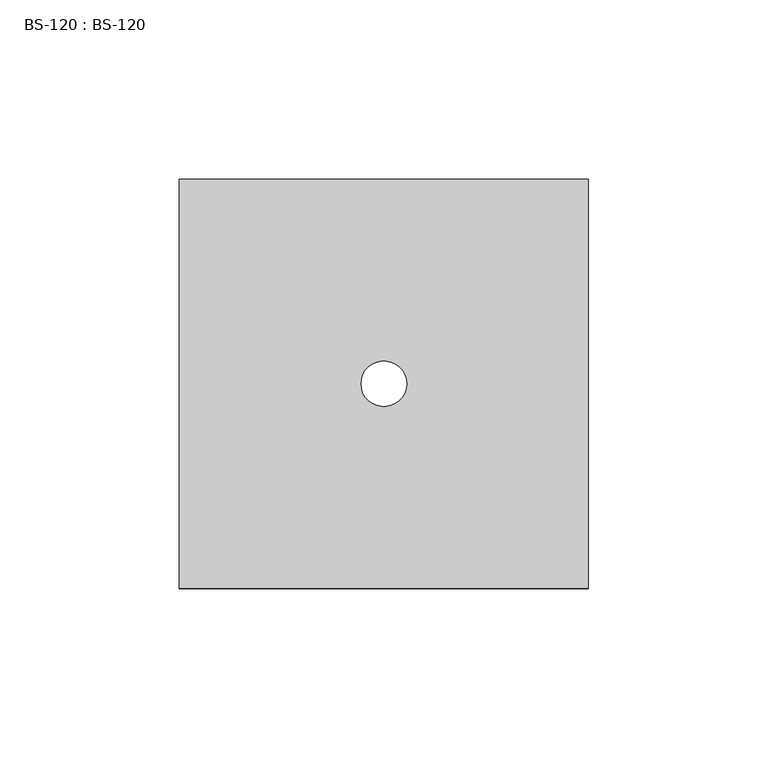
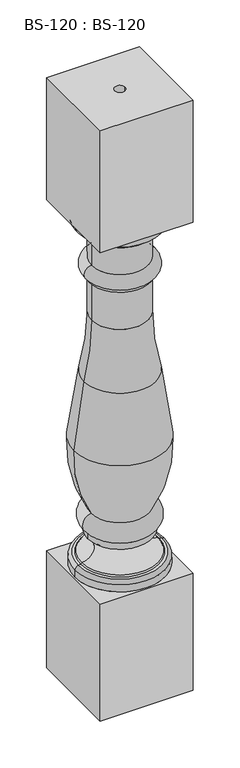
"""IFC4 building model written with IfcOpenShell, lengths in millimetres: proxy geometry, BS-120 : BS-120."""

import ifcopenshell
import ifcopenshell.guid

model = None  # the IFC model being written
_history = None  # IfcOwnerHistory: only IFC2X3 demands one
_inside = {}  # id of a spatial element -> (the spatial element, [elements in it])
_under = {}  # id of a project, library or spatial element -> (it, [spatial elements below it])
_declared = {}  # id of a project -> (the project, [libraries it declares])
_typed = {}  # id of a type object -> (the type object, [elements of that type])
_made_of = {}  # id of a material, layer set ... -> (it, [elements and type objects made of it])


def new_model(schema):
    """Start an empty IFC model of exactly this schema.

    Asked for "IFC4X3", IfcOpenShell would pick the latest addendum, in which some entities
    have other attributes; the version numbers below select the first issue.
    IFC2X3 requires an IfcOwnerHistory on every rooted entity: one is made here for all.
    """
    global model, _history
    if schema == "IFC4X3":
        model = ifcopenshell.file(schema_version=(4, 3, 0, 0))
    else:
        model = ifcopenshell.file(schema=schema)
    _inside.clear()
    _under.clear()
    _declared.clear()
    _typed.clear()
    _made_of.clear()
    _history = None
    if model.schema == "IFC2X3":
        org = make("IfcOrganization", Name="unknown")
        user = make(
            "IfcPersonAndOrganization",
            ThePerson=make("IfcPerson", FamilyName="unknown"),
            TheOrganization=org,
        )
        app = make(
            "IfcApplication",
            ApplicationDeveloper=org,
            Version="unknown",
            ApplicationFullName="unknown",
            ApplicationIdentifier="unknown",
        )
        _history = make(
            "IfcOwnerHistory",
            OwningUser=user,
            OwningApplication=app,
            ChangeAction="ADDED",
            CreationDate=0,
        )
    return model


def make(cls, **values):
    """One entity of the class cls with the attributes given. An attribute that is None is left unset."""
    return model.create_entity(
        cls, **{name: value for name, value in values.items() if value is not None}
    )


def rooted(cls, **values):
    """An entity with a GlobalId (a new one), such as an element, a storey or a relation."""
    return make(cls, GlobalId=ifcopenshell.guid.new(), OwnerHistory=_history, **values)


def si_unit(unit_type, name, prefix=None):
    """IfcSIUnit, for example si_unit("LENGTHUNIT", "METRE", prefix="MILLI")."""
    return make("IfcSIUnit", UnitType=unit_type, Prefix=prefix, Name=name)


def assignment(units):
    """IfcUnitAssignment: the units of a project."""
    return None if units is None else make("IfcUnitAssignment", Units=units)


def point(xyz):
    """IfcCartesianPoint."""
    return None if xyz is None else make("IfcCartesianPoint", Coordinates=xyz)


def direction(xyz):
    """IfcDirection."""
    return None if xyz is None else make("IfcDirection", DirectionRatios=xyz)


def frame(location, z_axis=None, x_axis=None):
    """IfcAxis2Placement3D, a coordinate frame: its origin and axes. An axis left out is left unset."""
    return make(
        "IfcAxis2Placement3D",
        Location=point(location),
        Axis=direction(z_axis),
        RefDirection=direction(x_axis),
    )


def origin():
    """The frame at (0, 0, 0) with its axes left unset."""
    return frame((0.0, 0.0, 0.0))


def origin_with_axes():
    """The frame at (0, 0, 0) with the z axis (0, 0, 1) and the x axis (1, 0, 0) written out."""
    return frame((0.0, 0.0, 0.0), z_axis=(0.0, 0.0, 1.0), x_axis=(1.0, 0.0, 0.0))


def place(relative_to, where):
    """IfcLocalPlacement: puts the frame where relative to a parent placement (None: the world)."""
    return make(
        "IfcLocalPlacement", PlacementRelTo=relative_to, RelativePlacement=where
    )


def context(
    kind, dimensions, precision=None, world=None, true_north=None, identifier=None
):
    """IfcGeometricRepresentationContext, for example the 3D "Model" context."""
    return make(
        "IfcGeometricRepresentationContext",
        ContextIdentifier=identifier,
        ContextType=kind,
        CoordinateSpaceDimension=dimensions,
        Precision=precision,
        WorldCoordinateSystem=world,
        TrueNorth=true_north,
    )


def project(units=None, contexts=None):
    """IfcProject with its units and contexts."""
    return rooted(
        "IfcProject",
        Name="project",
        RepresentationContexts=contexts,
        UnitsInContext=assignment(units),
    )


def spatial(cls, under=None, at=None, **own):
    """A site, building, storey or space (cls), placed at a placement, below another one or the project."""
    s = rooted(cls, ObjectPlacement=at, **own)
    if under is not None:
        _under.setdefault(under.id(), (under, []))[1].append(s)
    return s


def polyline(points):
    """IfcPolyline through the points."""
    return make("IfcPolyline", Points=[point(p) for p in points])


def circle_curve(where, radius):
    """IfcCircle in the frame where."""
    return make("IfcCircle", Position=where, Radius=radius)


def ellipse_curve(where, semi_axis1, semi_axis2):
    """IfcEllipse in the frame where."""
    return make(
        "IfcEllipse", Position=where, SemiAxis1=semi_axis1, SemiAxis2=semi_axis2
    )


def trimmed(basis, trim1, trim2, sense, master):
    """IfcTrimmedCurve: the piece of a basis curve between two trims."""
    return make(
        "IfcTrimmedCurve",
        BasisCurve=basis,
        Trim1=trim1,
        Trim2=trim2,
        SenseAgreement=sense,
        MasterRepresentation=master,
    )


def shape(context_of_items, identifier, shape_type, items):
    """IfcShapeRepresentation: the items that make up one representation, for example the "Body"."""
    return make(
        "IfcShapeRepresentation",
        ContextOfItems=context_of_items,
        RepresentationIdentifier=identifier,
        RepresentationType=shape_type,
        Items=items,
    )


def source(mapping_origin, context_of_items, identifier, shape_type, items):
    """IfcRepresentationMap: a shape defined once, which mapped items show again and again."""
    return make(
        "IfcRepresentationMap",
        MappingOrigin=mapping_origin,
        MappedRepresentation=shape(context_of_items, identifier, shape_type, items),
    )


def transform(
    local_origin,
    x_axis=None,
    y_axis=None,
    z_axis=None,
    scale=None,
    scale2=None,
    scale3=None,
    uniform=True,
):
    """IfcCartesianTransformationOperator3D, or its non-uniform kind. x_axis, y_axis, z_axis: its Axis1, 2, 3."""
    if uniform:
        return make(
            "IfcCartesianTransformationOperator3D",
            Axis1=direction(x_axis),
            Axis2=direction(y_axis),
            LocalOrigin=point(local_origin),
            Scale=scale,
            Axis3=direction(z_axis),
        )
    return make(
        "IfcCartesianTransformationOperator3DnonUniform",
        Axis1=direction(x_axis),
        Axis2=direction(y_axis),
        LocalOrigin=point(local_origin),
        Scale=scale,
        Axis3=direction(z_axis),
        Scale2=scale2,
        Scale3=scale3,
    )


def mapped(mapping_source, mapping_target):
    """IfcMappedItem: shows the shape of a source again, moved by a transform."""
    return make(
        "IfcMappedItem", MappingSource=mapping_source, MappingTarget=mapping_target
    )


def made_of(thing, what):
    """Note that an element or type object is made of a material, layer set ...; save() writes the relation."""
    if what is not None:
        _made_of.setdefault(what.id(), (what, []))[1].append(thing)
    return thing


def element(
    cls,
    number,
    at=None,
    inside=None,
    cuts=None,
    type_object=None,
    material=None,
    context=None,
    identifier="Body",
    shape_type=None,
    held_by="IfcProductDefinitionShape",
    body=None,
    shapes=None,
    **own,
):
    """One element of the class cls, such as IfcWall. Its Tag is "e" and its number.

    at: its placement. inside: the storey or other place that contains it. cuts: it is an
    opening in that element (IfcRelVoidsElement). A single representation is given by context,
    identifier, shape_type and body (its items); several are given by shapes. held_by: the class
    of the entity that holds the representations. save() writes the other relations.
    """
    e = rooted(cls, Tag="e%d" % number, ObjectPlacement=at, **own)
    if body is not None:
        shapes = [shape(context, identifier, shape_type, body)]
    if shapes is not None:
        e.Representation = make(held_by, Representations=shapes)
    if inside is not None:
        _inside.setdefault(inside.id(), (inside, []))[1].append(e)
    if cuts is not None:
        rooted(
            "IfcRelVoidsElement", RelatingBuildingElement=cuts, RelatedOpeningElement=e
        )
    if type_object is not None:
        _typed.setdefault(type_object.id(), (type_object, []))[1].append(e)
    return made_of(e, material)


def aggregate(whole, parts):
    """IfcRelAggregates: a whole, such as a stair, and the parts it consists of."""
    return rooted("IfcRelAggregates", RelatingObject=whole, RelatedObjects=parts)


def save(model, path):
    """Write the relations noted so far, then the file.

    IfcRelAggregates (storeys below a building ...), IfcRelContainedInSpatialStructure (elements
    in a storey), IfcRelDefinesByType, IfcRelAssociatesMaterial and IfcRelDeclares: one each for
    every whole, place, type object, material and project.
    """
    for whole, parts in _under.values():
        aggregate(whole, parts)
    for where, things in _inside.values():
        rooted(
            "IfcRelContainedInSpatialStructure",
            RelatedElements=things,
            RelatingStructure=where,
        )
    for kind, things in _typed.values():
        rooted("IfcRelDefinesByType", RelatedObjects=things, RelatingType=kind)
    for what, things in _made_of.values():
        rooted("IfcRelAssociatesMaterial", RelatedObjects=things, RelatingMaterial=what)
    for by, libraries in _declared.values():
        rooted("IfcRelDeclares", RelatingContext=by, RelatedDefinitions=libraries)
    model.write(path)


def plane_surface(at):
    """IfcPlane: the flat surface through the origin of the frame at, square to its z axis."""
    return make("IfcPlane", Position=at)


def cylinder_surface(at, radius):
    """IfcCylindricalSurface: all points at the distance radius from the z axis of the frame at."""
    return make("IfcCylindricalSurface", Position=at, Radius=radius)


def revolved_surface(curve, axis_point, axis_direction):
    """IfcSurfaceOfRevolution: the curve turned about the line through axis_point along axis_direction."""
    return make(
        "IfcSurfaceOfRevolution",
        SweptCurve=make("IfcArbitraryOpenProfileDef", ProfileType="CURVE", Curve=curve),
        AxisPosition=make("IfcAxis1Placement", Location=point(axis_point), Axis=direction(axis_direction)),
    )


def advanced_brep(points, edges, surfaces, faces):
    """IfcAdvancedBrep: a solid bounded by faces that lie on surfaces and meet in shared edges.

    An edge is (start, end): straight between two places in points (the first is 0);
    or (start, end, curve); or (start, end, curve, False) where it runs against its curve.
    A face is (place in surfaces, loops), or (place, loops, False) where it looks against
    its surface's normal. A loop lists edges by number (the first is 1), with a minus sign
    where the edge is run from its end to its start. The first loop is the outer one.
    """
    corners = [point(p) for p in points]
    vertices = [make("IfcVertexPoint", VertexGeometry=c) for c in corners]
    made = []
    for start, end, *more in edges:
        made.append(
            make(
                "IfcEdgeCurve",
                EdgeStart=vertices[start],
                EdgeEnd=vertices[end],
                EdgeGeometry=more[0] if more else make("IfcPolyline", Points=[corners[start], corners[end]]),
                SameSense=more[1] if len(more) > 1 else True,
            )
        )
    hull = []
    for where, loops, *sense in faces:
        bounds = []
        for j, loop in enumerate(loops):
            ring = [make("IfcOrientedEdge", EdgeElement=made[abs(k) - 1], Orientation=k > 0) for k in loop]
            bounds.append(
                make(
                    "IfcFaceOuterBound" if j == 0 else "IfcFaceBound",
                    Bound=make("IfcEdgeLoop", EdgeList=ring),
                    Orientation=True,
                )
            )
        hull.append(make("IfcAdvancedFace", Bounds=bounds, FaceSurface=surfaces[where], SameSense=sense[0] if sense else True))
    return make("IfcAdvancedBrep", Outer=make("IfcClosedShell", CfsFaces=hull))


def bs_120_bs_120_7c166dcf(model_context):
    return source(origin(), model_context, "Body", "AdvancedBrep", [
        advanced_brep(
        [(57.15, -57.15, 768.35), (57.15, 57.15, 768.35), (-57.15, 57.15, 768.35), (-57.15, -57.15, 768.35), (6.35, 0.0, 768.35), (-6.35, 0.0, 768.35), (57.15, -57.15, 609.6), (-57.15, -57.15, 609.6), (-57.15, 57.15, 609.6), (57.15, 57.15, 609.6), (55.5625, 0.0, 609.6), (-55.5625, 0.0, 609.6), (-39.6875, 0.0, 196.85), (39.6875, 0.0, 196.85), (46.83125, 0.0, 168.275), (-46.83125, 0.0, 168.275), (-39.6875, 0.0, 204.7875), (39.6875, 0.0, 204.7875), (-35.71875, 0.0, 228.6), (35.71875, 0.0, 228.6), (-57.15, 0.0, 317.5), (57.15, 0.0, 317.5), (-44.505129, 0.0, 402.950115), (44.505129, 0.0, 402.950115), (-34.925, 0.0, 479.425), (34.925, 0.0, 479.425), (-34.925, 0.0, 530.225), (34.925, 0.0, 530.225), (-38.1, 0.0, 530.225), (38.1, 0.0, 530.225), (-38.1, 0.0, 533.4), (38.1, 0.0, 533.4), (-34.925, 0.0, 550.8625), (34.925, 0.0, 550.8625), (-34.925, 0.0, 588.9625), (34.925, 0.0, 588.9625), (-39.6875, 0.0, 588.9625), (39.6875, 0.0, 588.9625), (-39.6875, 0.0, 593.725), (39.6875, 0.0, 593.725), (-55.5625, 0.0, 161.4599538), (55.5625, 0.0, 161.4599538), (55.5625, 0.0, 152.4), (-55.5625, 0.0, 152.4), (-51.596888, 0.0, 166.1553107), (51.596888, 0.0, 166.1553107), (-48.4611665, 0.0, 166.6875), (48.4611665, 0.0, 166.6875), (57.15, -57.15, 152.4), (57.15, 57.15, 152.4), (-57.15, 57.15, 152.4), (-57.15, -57.15, 152.4), (57.15, -57.15, 0.0), (-57.15, -57.15, 0.0), (-57.15, 57.15, 0.0), (57.15, 57.15, 0.0), (-6.35, 0.0, 0.0), (6.35, 0.0, 0.0)],
        [
            (0, 1),
            (1, 2),
            (2, 3),
            (3, 0),
            (4, 5, circle_curve(frame((0.0, 0.0, 768.35), z_axis=(0.0, 0.0, -1.0), x_axis=(1.0, 0.0, 0.0)), 6.35)),
            (5, 4, circle_curve(frame((0.0, 0.0, 768.35), z_axis=(0.0, 0.0, -1.0), x_axis=(1.0, 0.0, 0.0)), 6.35)),
            (6, 7),
            (7, 8),
            (8, 9),
            (9, 6),
            (10, 11, circle_curve(frame((0.0, 0.0, 609.6), z_axis=(0.0, 0.0, 1.0), x_axis=(1.0, 0.0, 0.0)), 55.5625)),
            (11, 10, circle_curve(frame((0.0, 0.0, 609.6), z_axis=(0.0, 0.0, 1.0), x_axis=(1.0, 0.0, 0.0)), 55.5625)),
            (0, 6),
            (9, 1),
            (8, 2),
            (7, 3),
            (12, 13, circle_curve(frame((0.0, 0.0, 196.85), z_axis=(0.0, 0.0, -1.0), x_axis=(1.0, 0.0, 0.0)), 39.6875)),
            (13, 14, circle_curve(frame((47.0076269, 0.0, 183.499563), z_axis=(0.0, -1.0, 0.0), x_axis=(1.0, 0.0, 0.0)), 15.2255846)),
            (14, 15, circle_curve(frame((0.0, 0.0, 168.275), z_axis=(0.0, 0.0, 1.0), x_axis=(1.0, 0.0, 0.0)), 46.83125)),
            (15, 12, circle_curve(frame((-47.0076269, 0.0, 183.499563), z_axis=(0.0, -1.0, 0.0), x_axis=(-1.0, 0.0, 0.0)), 15.2255846)),
            (13, 12, circle_curve(frame((0.0, 0.0, 196.85), z_axis=(0.0, 0.0, -1.0), x_axis=(1.0, 0.0, 0.0)), 39.6875)),
            (15, 14, circle_curve(frame((0.0, 0.0, 168.275), z_axis=(0.0, 0.0, 1.0), x_axis=(1.0, 0.0, 0.0)), 46.83125)),
            (12, 16),
            (16, 17, circle_curve(frame((0.0, 0.0, 204.7875), z_axis=(0.0, 0.0, -1.0), x_axis=(1.0, 0.0, 0.0)), 39.6875)),
            (17, 13),
            (17, 16, circle_curve(frame((0.0, 0.0, 204.7875), z_axis=(0.0, 0.0, -1.0), x_axis=(1.0, 0.0, 0.0)), 39.6875)),
            (16, 18, circle_curve(frame((-33.7075841, 0.0, 216.0278265), z_axis=(0.0, 1.0, 0.0), x_axis=(-1.0, 0.0, 0.0)), 12.7320201)),
            (18, 19, circle_curve(frame((0.0, 0.0, 228.6), z_axis=(0.0, 0.0, -1.0), x_axis=(1.0, 0.0, 0.0)), 35.71875)),
            (19, 17, circle_curve(frame((33.7075841, 0.0, 216.0278265), z_axis=(0.0, 1.0, 0.0), x_axis=(1.0, 0.0, 0.0)), 12.7320201)),
            (19, 18, circle_curve(frame((0.0, 0.0, 228.6), z_axis=(0.0, 0.0, -1.0), x_axis=(1.0, 0.0, 0.0)), 35.71875)),
            (18, 20, circle_curve(frame((107.4843289, 0.0, 310.1554018), z_axis=(0.0, 1.0, 0.0), x_axis=(-1.0, 0.0, 0.0)), 164.7980746)),
            (20, 21, circle_curve(frame((0.0, 0.0, 317.5), z_axis=(0.0, 0.0, -1.0), x_axis=(1.0, 0.0, 0.0)), 57.15)),
            (21, 19, circle_curve(frame((-107.4843289, 0.0, 310.1554018), z_axis=(0.0, 1.0, 0.0), x_axis=(1.0, 0.0, 0.0)), 164.7980746)),
            (21, 20, circle_curve(frame((0.0, 0.0, 317.5), z_axis=(0.0, 0.0, -1.0), x_axis=(1.0, 0.0, 0.0)), 57.15)),
            (20, 22, circle_curve(frame((365.2307747, 0.0, 298.6569247), z_axis=(0.0, 1.0, 0.0), x_axis=(-1.0, 0.0, 0.0)), 422.8008755)),
            (22, 23, circle_curve(frame((0.0, 0.0, 402.950115), z_axis=(0.0, 0.0, -1.0), x_axis=(1.0, 0.0, 0.0)), 44.505129)),
            (23, 21, circle_curve(frame((-365.2307747, 0.0, 298.6569247), z_axis=(0.0, 1.0, 0.0), x_axis=(1.0, 0.0, 0.0)), 422.8008755)),
            (23, 22, circle_curve(frame((0.0, 0.0, 402.950115), z_axis=(0.0, 0.0, -1.0), x_axis=(1.0, 0.0, 0.0)), 44.505129)),
            (22, 24, circle_curve(frame((-344.9514575, 0.0, 479.425), z_axis=(0.0, -1.0, 0.0), x_axis=(-1.0, 0.0, 0.0)), 310.0264575)),
            (24, 25, circle_curve(frame((0.0, 0.0, 479.425), z_axis=(0.0, 0.0, -1.0), x_axis=(1.0, 0.0, 0.0)), 34.925)),
            (25, 23, circle_curve(frame((344.9514575, 0.0, 479.425), z_axis=(0.0, -1.0, 0.0), x_axis=(1.0, 0.0, 0.0)), 310.0264575)),
            (25, 24, circle_curve(frame((0.0, 0.0, 479.425), z_axis=(0.0, 0.0, -1.0), x_axis=(1.0, 0.0, 0.0)), 34.925)),
            (24, 26),
            (26, 27, circle_curve(frame((0.0, 0.0, 530.225), z_axis=(0.0, 0.0, -1.0), x_axis=(1.0, 0.0, 0.0)), 34.925)),
            (27, 25),
            (27, 26, circle_curve(frame((0.0, 0.0, 530.225), z_axis=(0.0, 0.0, -1.0), x_axis=(1.0, 0.0, 0.0)), 34.925)),
            (26, 28),
            (28, 29, circle_curve(frame((0.0, 0.0, 530.225), z_axis=(0.0, 0.0, -1.0), x_axis=(1.0, 0.0, 0.0)), 38.1)),
            (29, 27),
            (29, 28, circle_curve(frame((0.0, 0.0, 530.225), z_axis=(0.0, 0.0, -1.0), x_axis=(1.0, 0.0, 0.0)), 38.1)),
            (28, 30),
            (30, 31, circle_curve(frame((0.0, 0.0, 533.4), z_axis=(0.0, 0.0, -1.0), x_axis=(1.0, 0.0, 0.0)), 38.1)),
            (31, 29),
            (31, 30, circle_curve(frame((0.0, 0.0, 533.4), z_axis=(0.0, 0.0, -1.0), x_axis=(1.0, 0.0, 0.0)), 38.1)),
            (30, 32, circle_curve(frame((-35.5361459, 0.0, 541.9537311), z_axis=(0.0, 1.0, 0.0), x_axis=(-1.0, 0.0, 0.0)), 8.9297068)),
            (32, 33, circle_curve(frame((0.0, 0.0, 550.8625), z_axis=(0.0, 0.0, -1.0), x_axis=(1.0, 0.0, 0.0)), 34.925)),
            (33, 31, circle_curve(frame((35.5361459, 0.0, 541.9537311), z_axis=(0.0, 1.0, 0.0), x_axis=(1.0, 0.0, 0.0)), 8.9297068)),
            (33, 32, circle_curve(frame((0.0, 0.0, 550.8625), z_axis=(0.0, 0.0, -1.0), x_axis=(1.0, 0.0, 0.0)), 34.925)),
            (32, 34),
            (34, 35, circle_curve(frame((0.0, 0.0, 588.9625), z_axis=(0.0, 0.0, -1.0), x_axis=(1.0, 0.0, 0.0)), 34.925)),
            (35, 33),
            (35, 34, circle_curve(frame((0.0, 0.0, 588.9625), z_axis=(0.0, 0.0, -1.0), x_axis=(1.0, 0.0, 0.0)), 34.925)),
            (34, 36),
            (36, 37, circle_curve(frame((0.0, 0.0, 588.9625), z_axis=(0.0, 0.0, -1.0), x_axis=(1.0, 0.0, 0.0)), 39.6875)),
            (37, 35),
            (37, 36, circle_curve(frame((0.0, 0.0, 588.9625), z_axis=(0.0, 0.0, -1.0), x_axis=(1.0, 0.0, 0.0)), 39.6875)),
            (36, 38),
            (38, 39, circle_curve(frame((0.0, 0.0, 593.725), z_axis=(0.0, 0.0, -1.0), x_axis=(1.0, 0.0, 0.0)), 39.6875)),
            (39, 37),
            (39, 38, circle_curve(frame((0.0, 0.0, 593.725), z_axis=(0.0, 0.0, -1.0), x_axis=(1.0, 0.0, 0.0)), 39.6875)),
            (38, 11, circle_curve(frame((-39.737674, 0.0, 609.549826), z_axis=(0.0, 1.0, 0.0), x_axis=(-1.0, 0.0, 0.0)), 15.8249055)),
            (10, 39, circle_curve(frame((39.737674, 0.0, 609.549826), z_axis=(0.0, 1.0, 0.0), x_axis=(1.0, 0.0, 0.0)), 15.8249055)),
            (40, 41, circle_curve(frame((0.0, 0.0, 161.4599538), z_axis=(0.0, 0.0, -1.0), x_axis=(1.0, 0.0, 0.0)), 55.5625)),
            (41, 42),
            (42, 43, circle_curve(frame((0.0, 0.0, 152.4), z_axis=(0.0, 0.0, 1.0), x_axis=(1.0, 0.0, 0.0)), 55.5625)),
            (43, 40),
            (41, 40, circle_curve(frame((0.0, 0.0, 161.4599538), z_axis=(0.0, 0.0, -1.0), x_axis=(1.0, 0.0, 0.0)), 55.5625)),
            (43, 42, circle_curve(frame((0.0, 0.0, 152.4), z_axis=(0.0, 0.0, 1.0), x_axis=(1.0, 0.0, 0.0)), 55.5625)),
            (40, 44, circle_curve(frame((-50.8, 0.0, 161.4599538), z_axis=(0.0, 1.0, 0.0), x_axis=(-1.0, 0.0, 0.0)), 4.7625)),
            (44, 45, circle_curve(frame((0.0, 0.0, 166.1553107), z_axis=(0.0, 0.0, -1.0), x_axis=(1.0, 0.0, 0.0)), 51.596888)),
            (45, 41, circle_curve(frame((50.8, 0.0, 161.4599538), z_axis=(0.0, 1.0, 0.0), x_axis=(1.0, 0.0, 0.0)), 4.7625)),
            (45, 44, circle_curve(frame((0.0, 0.0, 166.1553107), z_axis=(0.0, 0.0, -1.0), x_axis=(1.0, 0.0, 0.0)), 51.596888)),
            (44, 46),
            (46, 47, circle_curve(frame((0.0, 0.0, 166.6875), z_axis=(0.0, 0.0, -1.0), x_axis=(1.0, 0.0, 0.0)), 48.4611665)),
            (47, 45),
            (47, 46, circle_curve(frame((0.0, 0.0, 166.6875), z_axis=(0.0, 0.0, -1.0), x_axis=(1.0, 0.0, 0.0)), 48.4611665)),
            (14, 47),
            (46, 15),
            (48, 49),
            (49, 50),
            (50, 51),
            (51, 48),
            (52, 53),
            (53, 54),
            (54, 55),
            (55, 52),
            (56, 57, circle_curve(origin_with_axes(), 6.35)),
            (57, 56, circle_curve(origin_with_axes(), 6.35)),
            (48, 52),
            (55, 49),
            (54, 50),
            (53, 51),
            (4, 57),
            (56, 5),
        ],
        [
            plane_surface(frame((57.15, -107.95, 768.35), z_axis=(0.0, 0.0, 1.0), x_axis=(0.0, 1.0, 0.0))),
            plane_surface(frame((57.15, -107.95, 609.6), z_axis=(0.0, 0.0, -1.0), x_axis=(0.0, -1.0, 0.0))),
            plane_surface(frame((57.15, -57.15, 768.35), z_axis=(1.0, 0.0, 0.0), x_axis=(0.0, 0.0, -1.0))),
            plane_surface(frame((57.15, 57.15, 768.35), z_axis=(0.0, 1.0, 0.0), x_axis=(0.0, 0.0, -1.0))),
            plane_surface(frame((-57.15, 57.15, 768.35), z_axis=(-1.0, 0.0, 0.0), x_axis=(0.0, 0.0, -1.0))),
            plane_surface(frame((-57.15, -57.15, 768.35), z_axis=(0.0, -1.0, 0.0), x_axis=(0.0, 0.0, -1.0))),
            revolved_surface(trimmed(ellipse_curve(frame((47.0076269, 0.0, 183.499563), z_axis=(0.0, 1.0, 0.0), x_axis=(1.0, 0.0, 0.0)), 15.2255846, 15.2255846), [point((46.83125, 0.0, 168.275))], [point((39.6875, 0.0, 196.85))], True, "CARTESIAN"), (0.0, 0.0, 914.4), (0.0, 0.0, 1.0)),
            cylinder_surface(frame((0.0, 0.0, 914.4), z_axis=(0.0, 0.0, 1.0), x_axis=(1.0, 0.0, 0.0)), 39.6875),
            revolved_surface(trimmed(ellipse_curve(frame((33.7075841, 0.0, 216.0278265), z_axis=(0.0, -1.0, 0.0), x_axis=(1.0, 0.0, 0.0)), 12.7320201, 12.7320201), [point((39.6875, 0.0, 204.7875))], [point((35.71875, 0.0, 228.6))], True, "CARTESIAN"), (0.0, 0.0, 914.4), (0.0, 0.0, 1.0)),
            revolved_surface(trimmed(ellipse_curve(frame((-107.4843289, 0.0, 310.1554018), z_axis=(0.0, -1.0, 0.0), x_axis=(1.0, 0.0, 0.0)), 164.7980746, 164.7980746), [point((35.71875, 0.0, 228.6))], [point((57.15, 0.0, 317.5))], True, "CARTESIAN"), (0.0, 0.0, 914.4), (0.0, 0.0, 1.0)),
            revolved_surface(trimmed(ellipse_curve(frame((-365.2307747, 0.0, 298.6569247), z_axis=(0.0, -1.0, 0.0), x_axis=(1.0, 0.0, 0.0)), 422.8008755, 422.8008755), [point((57.15, 0.0, 317.5))], [point((44.505129, 0.0, 402.950115))], True, "CARTESIAN"), (0.0, 0.0, 914.4), (0.0, 0.0, 1.0)),
            revolved_surface(trimmed(ellipse_curve(frame((344.9514575, 0.0, 479.425), z_axis=(0.0, 1.0, 0.0), x_axis=(1.0, 0.0, 0.0)), 310.0264575, 310.0264575), [point((44.505129, 0.0, 402.950115))], [point((34.925, 0.0, 479.425))], True, "CARTESIAN"), (0.0, 0.0, 914.4), (0.0, 0.0, 1.0)),
            cylinder_surface(frame((0.0, 0.0, 914.4), z_axis=(0.0, 0.0, 1.0), x_axis=(1.0, 0.0, 0.0)), 34.925),
            plane_surface(frame((0.0, 0.0, 530.225), z_axis=(0.0, 0.0, -1.0), x_axis=(1.0, 0.0, 0.0))),
            cylinder_surface(frame((0.0, 0.0, 914.4), z_axis=(0.0, 0.0, 1.0), x_axis=(1.0, 0.0, 0.0)), 38.1),
            revolved_surface(trimmed(ellipse_curve(frame((35.5361459, 0.0, 541.9537311), z_axis=(0.0, -1.0, 0.0), x_axis=(1.0, 0.0, 0.0)), 8.9297068, 8.9297068), [point((38.1, 0.0, 533.4))], [point((34.925, 0.0, 550.8625))], True, "CARTESIAN"), (0.0, 0.0, 914.4), (0.0, 0.0, 1.0)),
            plane_surface(frame((0.0, 0.0, 588.9625), z_axis=(0.0, 0.0, -1.0), x_axis=(1.0, 0.0, 0.0))),
            revolved_surface(trimmed(ellipse_curve(frame((39.737674, 0.0, 609.549826), z_axis=(0.0, -1.0, 0.0), x_axis=(1.0, 0.0, 0.0)), 15.8249055, 15.8249055), [point((39.6875, 0.0, 593.725))], [point((55.5625, 0.0, 609.6))], True, "CARTESIAN"), (0.0, 0.0, 914.4), (0.0, 0.0, 1.0)),
            cylinder_surface(frame((0.0, 0.0, 914.4), z_axis=(0.0, 0.0, 1.0), x_axis=(1.0, 0.0, 0.0)), 55.5625),
            revolved_surface(trimmed(ellipse_curve(frame((50.8, 0.0, 161.4599538), z_axis=(0.0, -1.0, 0.0), x_axis=(1.0, 0.0, 0.0)), 4.7625, 4.7625), [point((55.5625, 0.0, 161.4599538))], [point((51.596888, 0.0, 166.1553107))], True, "CARTESIAN"), (0.0, 0.0, 914.4), (0.0, 0.0, 1.0)),
            revolved_surface(polyline([(51.596888, 0.0, 166.1553107), (48.4611665, 0.0, 166.6875)]), (0.0, 0.0, 914.4), (0.0, 0.0, 1.0)),
            revolved_surface(polyline([(48.4611665, 0.0, 166.6875), (46.83125, 0.0, 168.275)]), (0.0, 0.0, 914.4), (0.0, 0.0, 1.0)),
            plane_surface(frame((57.15, -107.95, 152.4), z_axis=(0.0, 0.0, 1.0), x_axis=(0.0, 1.0, 0.0))),
            plane_surface(frame((57.15, -107.95, 0.0), z_axis=(0.0, 0.0, -1.0), x_axis=(0.0, -1.0, 0.0))),
            plane_surface(frame((57.15, -57.15, 152.4), z_axis=(1.0, 0.0, 0.0), x_axis=(0.0, 0.0, -1.0))),
            plane_surface(frame((57.15, 57.15, 152.4), z_axis=(0.0, 1.0, 0.0), x_axis=(0.0, 0.0, -1.0))),
            plane_surface(frame((-57.15, 57.15, 152.4), z_axis=(-1.0, 0.0, 0.0), x_axis=(0.0, 0.0, -1.0))),
            plane_surface(frame((-57.15, -57.15, 152.4), z_axis=(0.0, -1.0, 0.0), x_axis=(0.0, 0.0, -1.0))),
            revolved_surface(polyline([(6.35, 0.0, 768.35), (6.35, 0.0, 0.0)]), (0.0, 0.0, 0.0), (0.0, 0.0, 1.0)),
        ],
        [
            (0, [[1, 2, 3, 4], [5, 6]]),
            (1, [[7, 8, 9, 10], [11, 12]]),
            (2, [[-1, 13, -10, 14]]),
            (3, [[-2, -14, -9, 15]]),
            (4, [[-3, -15, -8, 16]]),
            (5, [[-4, -16, -7, -13]]),
            (6, [[17, 18, 19, 20]]),
            (6, [[-18, 21, -20, 22]]),
            (7, [[-17, 23, 24, 25]]),
            (7, [[-21, -25, 26, -23]]),
            (8, [[-24, 27, 28, 29]]),
            (8, [[-26, -29, 30, -27]]),
            (9, [[-28, 31, 32, 33]]),
            (9, [[-30, -33, 34, -31]]),
            (10, [[-32, 35, 36, 37]]),
            (10, [[-34, -37, 38, -35]]),
            (11, [[-36, 39, 40, 41]]),
            (11, [[-38, -41, 42, -39]]),
            (12, [[-40, 43, 44, 45]]),
            (12, [[-42, -45, 46, -43]]),
            (13, [[-44, 47, 48, 49]]),
            (13, [[-46, -49, 50, -47]]),
            (14, [[-48, 51, 52, 53]]),
            (14, [[-50, -53, 54, -51]]),
            (15, [[-52, 55, 56, 57]]),
            (15, [[-54, -57, 58, -55]]),
            (12, [[-56, 59, 60, 61]]),
            (12, [[-58, -61, 62, -59]]),
            (16, [[-60, 63, 64, 65]]),
            (16, [[-62, -65, 66, -63]]),
            (7, [[-64, 67, 68, 69]]),
            (7, [[-66, -69, 70, -67]]),
            (17, [[-68, 71, -11, 72]]),
            (17, [[-70, -72, -12, -71]]),
            (18, [[73, 74, 75, 76]]),
            (18, [[-74, 77, -76, 78]]),
            (19, [[-73, 79, 80, 81]]),
            (19, [[-77, -81, 82, -79]]),
            (20, [[-80, 83, 84, 85]]),
            (20, [[-82, -85, 86, -83]]),
            (21, [[-19, 87, -84, 88]]),
            (21, [[-22, -88, -86, -87]]),
            (22, [[89, 90, 91, 92], [-75, -78]]),
            (23, [[93, 94, 95, 96], [97, 98]]),
            (24, [[-89, 99, -96, 100]]),
            (25, [[-90, -100, -95, 101]]),
            (26, [[-91, -101, -94, 102]]),
            (27, [[-92, -102, -93, -99]]),
            (28, [[103, -97, 104, -5]]),
            (28, [[-103, -6, -104, -98]]),
        ],
    ),
    ])


if __name__ == "__main__":
    model = new_model("IFC4")
    model_context = context("Model", 3, world=origin())
    ifc_project = project(units=[si_unit("LENGTHUNIT", "METRE", prefix="MILLI")], contexts=[model_context])
    site = spatial("IfcSite", under=ifc_project)
    building = spatial("IfcBuilding", under=site)
    placement = place(None, origin())
    bs_120_bs_120_shape = bs_120_bs_120_7c166dcf(model_context)
    element("IfcBuildingElementProxy", 1, Name="BS-120 : BS-120", ObjectType="BS-120 : BS-120", at=placement, inside=building, context=model_context, shape_type="MappedRepresentation", body=[
        mapped(bs_120_bs_120_shape, transform((0.0, 0.0, 0.0), x_axis=(1.0, 0.0, 0.0), y_axis=(0.0, 1.0, 0.0), z_axis=(0.0, 0.0, 1.0))),
    ])
    save(model, "model.ifc")
